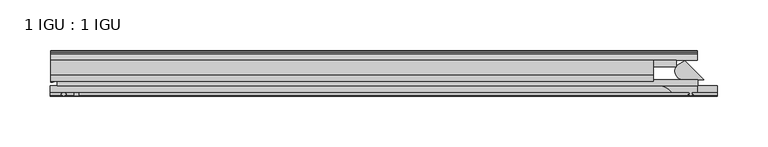
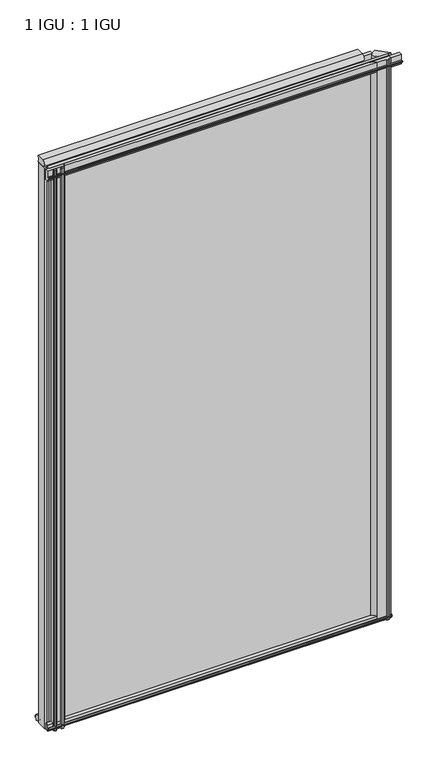
"""IFC4 building model written with IfcOpenShell, lengths in millimetres: plate geometry, 1 IGU : 1 IGU."""

from ifc_helpers import new_model, si_unit, point, frame, frame_2d, origin, place, context, project, spatial, polyline, circle_curve, ellipse_curve, trimmed, segment, composite_curve, outline, extrude, source, transform, mapped, element, save
from ifc_brep_helpers import plane_surface, cylinder_surface, revolved_surface, extruded_surface, advanced_brep


def plate_1_igu_1_igu_42cc395e(model_context):
    return source(origin(), model_context, "Body", "SolidModel", [
        extrude(outline(polyline([(-314.3261907, -38.6468937), (321.2715032, -38.6468937), (321.2715032, -44.9460938), (-314.3261907, -44.9460938), (-314.3261907, -38.6468937)])), frame((0.0, 0.0, -12.7), z_axis=(0.0, 0.0, 1.0), x_axis=(1.0, 0.0, 0.0)), (0.0, 0.0, 1.0), 1106.5764186),
        extrude(outline(polyline([(-314.3261907, -19.5460937), (299.939472, -19.5460937), (299.939472, -25.8960938), (-314.3261907, -25.8960938), (-314.3261907, -19.5460937)])), frame((0.0, 0.0, -12.7), z_axis=(0.0, 0.0, 1.0), x_axis=(1.0, 0.0, 0.0)), (0.0, 0.0, 1.0), 1106.5764186),
        extrude(outline(composite_curve([segment(polyline([(308.3479936, -19.9178967), (327.0769907, -38.6468938), (305.9733448, -38.6468938)]), True, "CONTINUOUS"), segment(trimmed(circle_curve(frame_2d((306.7635261, -30.324123)), 8.3601973), [point((305.9733448, -38.6468938))], [point((300.5961133, -24.6800183))], False, "CARTESIAN"), True, "CONTINUOUS"), segment(polyline([(300.5961133, -24.6800183), (308.3479936, -19.9178967)]), True, "CONTINUOUS")], self_intersect=False)), frame((0.0, 0.0, -12.4587), z_axis=(0.0, 0.0, 1.0), x_axis=(1.0, 0.0, 0.0)), (0.0, 0.0, 1.0), 1106.3351186),
        advanced_brep(
        [(-320.6761907, -21.1706006, -12.7), (-314.3275788, -19.5461438, -12.7), (-314.3275788, -25.8549351, -12.7), (-313.1522276, -32.21431, -12.7), (-320.6761907, -41.5384043, -12.7), (-320.6761907, -21.1706006, 1093.8764186), (-320.6761907, -41.5384043, 1093.8764186), (-313.1522276, -32.21431, 1093.8764186), (-314.3275788, -25.8549351, 1093.8764186), (-314.3275788, -19.5461438, 1093.8764186)],
        [
            (0, 1, circle_curve(frame((-320.6767601, -7.9505008, -12.7), z_axis=(0.0, 0.0, 1.0), x_axis=(1.0, 0.0, 0.0)), 13.2200998)),
            (1, 2),
            (2, 3, circle_curve(frame((-331.2145919, -32.2643264, -12.7), z_axis=(0.0, 0.0, -1.0), x_axis=(1.0, 0.0, 0.0)), 18.0624336)),
            (3, 4, ellipse_curve(frame((-320.6753578, -32.2460921, -12.7), z_axis=(0.0, 0.0, -1.0), x_axis=(0.0, -1.0, 0.0)), 9.2923123, 7.5231742)),
            (4, 0),
            (5, 6),
            (6, 7, ellipse_curve(frame((-320.6753578, -32.2460921, 1093.8764186), z_axis=(0.0, 0.0, 1.0), x_axis=(0.0, -1.0, 0.0)), 9.2923123, 7.5231742)),
            (7, 8, circle_curve(frame((-331.2145919, -32.2643264, 1093.8764186), z_axis=(0.0, 0.0, 1.0), x_axis=(1.0, 0.0, 0.0)), 18.0624336)),
            (8, 9),
            (9, 5, circle_curve(frame((-320.6767601, -7.9505008, 1093.8764186), z_axis=(0.0, 0.0, -1.0), x_axis=(1.0, 0.0, 0.0)), 13.2200998)),
            (0, 5),
            (9, 1),
            (8, 2),
            (7, 3),
            (6, 4),
        ],
        [
            plane_surface(frame((-320.6761907, -13.1960937, -12.7), z_axis=(0.0, 0.0, -1.0), x_axis=(0.0, 1.0, 0.0))),
            plane_surface(frame((-320.6761907, -13.1960937, 1093.8764186), z_axis=(0.0, 0.0, 1.0), x_axis=(0.0, 1.0, 0.0))),
            revolved_surface(polyline([(-307.4566603, -7.9505008, 1093.8764186), (-307.4566603, -7.9505008, -12.7)]), (-320.6767601, -7.9505008, -12.7), (0.0, 0.0, 1.0)),
            plane_surface(frame((-314.3275788, -19.5461438, -12.7), z_axis=(1.0, 0.0, 0.0), x_axis=(0.0, 0.0, 1.0))),
            cylinder_surface(frame((-331.2145919, -32.2643264, -12.7), z_axis=(0.0, 0.0, -1.0), x_axis=(1.0, 0.0, 0.0)), 18.0624336),
            extruded_surface(trimmed(ellipse_curve(frame((-320.6753578, -32.2460921, 1093.8764186), z_axis=(0.0, 0.0, -1.0), x_axis=(0.0, -1.0, 0.0)), 9.2923123, 7.5231742), [point((-313.1522276, -32.21431, 1093.8764186))], [point((-320.6761907, -41.5384043, 1093.8764186))], True, "CARTESIAN"), (0.0, 0.0, -1106.5764186000001), 1106.5764186000001),
            plane_surface(frame((-320.6761907, -41.5384043, -12.7), z_axis=(-1.0, 0.0, 0.0), x_axis=(0.0, 0.0, 1.0))),
        ],
        [
            (0, [[1, 2, 3, 4, 5]]),
            (1, [[6, 7, 8, 9, 10]]),
            (2, [[-1, 11, -10, 12]]),
            (3, [[-2, -12, -9, 13]]),
            (4, [[-3, -13, -8, 14]]),
            (5, [[-4, -14, -7, 15]]),
            (6, [[-5, -15, -6, -11]]),
        ],
    ),
        extrude(outline(composite_curve([segment(polyline([(320.3668505, -44.9460938), (320.3668505, -51.2960938), (315.2868505, -51.2960938), (314.9693505, -53.4006957), (316.1879564, -53.0741712), (316.3917505, -53.8347412), (314.0168505, -54.4710938), (311.6419505, -53.8347412), (311.8457446, -53.0741712), (313.0643505, -53.4006957), (312.7468505, -51.2960938), (295.3478505, -51.2960938)]), True, "CONTINUOUS"), segment(trimmed(circle_curve(frame_2d((281.8178467, -61.7346627)), 17.0887309), [point((295.3478505, -51.2960938))], [point((285.0066828, -44.9460938))], True, "CARTESIAN"), True, "CONTINUOUS"), segment(polyline([(285.0066828, -44.9460938), (320.3668505, -44.9460938)]), True, "CONTINUOUS")], self_intersect=False)), frame((0.0, 0.0, -11.938), z_axis=(0.0, 0.0, 1.0), x_axis=(1.0, 0.0, 0.0)), (0.0, 0.0, 1.0), 1105.5731187),
        extrude(outline(polyline([(-44.9460937, 1.7177181), (-44.9460937, -9.1036578), (-48.3496937, -11.938), (-51.2960937, -11.938), (-51.2960937, -7.493), (-53.6762907, -7.112), (-53.2163575, -8.5275291), (-54.0175717, -8.5275291), (-54.7250937, -6.35), (-54.0175717, -4.1724709), (-53.2163575, -4.1724709), (-53.6762907, -5.588), (-51.2960937, -5.207), (-51.2960937, 0.0), (-44.9460937, 1.7177181)])), frame((-320.6761907, 0.0, 0.0), z_axis=(1.0, 0.0, 0.0), x_axis=(0.0, 1.0, 0.0)), (0.0, 0.0, 1.0), 641.3523814),
        extrude(outline(polyline([(-13.1960937, -12.4587), (-16.1424937, -12.4587), (-19.5460937, -9.6243578), (-19.5460937, 1.1970181), (-13.1960937, -0.5207), (-13.1960937, -5.7277), (-10.8158968, -6.1087), (-11.27583, -4.6931709), (-10.4746158, -4.6931709), (-9.7670937, -6.8707), (-10.4746158, -9.0482291), (-11.27583, -9.0482291), (-10.8158968, -7.6327), (-13.1960937, -8.0137), (-13.1960937, -12.4587)])), frame((-320.6761907, 0.0, 0.0), z_axis=(1.0, 0.0, 0.0), x_axis=(0.0, 1.0, 0.0)), (0.0, 0.0, 1.0), 641.3523814),
        extrude(outline(composite_curve([segment(polyline([(-44.9380025, 1074.7385163), (-51.2960937, 1074.7385163), (-51.2960937, 1079.5645163), (-54.1955564, 1079.5645163), (-54.8194621, 1080.5418087)]), True, "CONTINUOUS"), segment(trimmed(circle_curve(frame_2d((-53.9630937, 1081.0885163)), 1.016), [point((-54.8194621, 1080.5418087))], [point((-54.8194621, 1081.6352239))], False, "CARTESIAN"), True, "CONTINUOUS"), segment(polyline([(-54.8194621, 1081.6352239), (-54.1955564, 1082.6125163), (-51.2878033, 1082.6125163), (-51.2916866, 1093.7771998), (-44.9380025, 1093.7771998), (-44.9380025, 1074.7385163)]), True, "CONTINUOUS")], self_intersect=False)), frame((-321.1184846, 0.0, 0.0), z_axis=(1.0, 0.0, 0.0), x_axis=(0.0, 1.0, 0.0)), (0.0, 0.0, 1.0), 661.340769),
        extrude(outline(composite_curve([segment(trimmed(circle_curve(frame_2d((-279.9102594, -51.9750196)), 9.0414579), [point((-285.5972763, -44.9460938))], [point((-288.9261909, -51.2960938))], True, "CARTESIAN"), True, "CONTINUOUS"), segment(polyline([(-288.9261909, -51.2960938), (-293.1679909, -51.2960938)]), True, "CONTINUOUS"), segment(trimmed(circle_curve(frame_2d((-293.1679909, -51.7532938)), 0.4572), [point((-293.1679909, -51.2960938))], [point((-293.5068087, -52.0602698))], True, "CARTESIAN"), True, "CONTINUOUS"), segment(trimmed(circle_curve(frame_2d((-295.2761909, -53.663367)), 2.3876), [point((-293.5068087, -52.0602698))], [point((-293.2055479, -54.8520938))], False, "CARTESIAN"), True, "CONTINUOUS"), segment(polyline([(-293.2055479, -54.8520938), (-297.3468339, -54.8520938)]), True, "CONTINUOUS"), segment(trimmed(circle_curve(frame_2d((-295.2761909, -53.663367)), 2.3876), [point((-297.3468339, -54.8520938))], [point((-297.045573, -52.0602698))], False, "CARTESIAN"), True, "CONTINUOUS"), segment(trimmed(circle_curve(frame_2d((-297.3843909, -51.7532938)), 0.4572), [point((-297.045573, -52.0602698))], [point((-297.3843909, -51.2960938))], True, "CARTESIAN"), True, "CONTINUOUS"), segment(polyline([(-297.3843909, -51.2960938), (-306.4521909, -51.2960938), (-306.4521909, -52.9470938), (-305.3745601, -52.9470938)]), True, "CONTINUOUS"), segment(trimmed(circle_curve(frame_2d((-306.4521909, -52.9470938)), 1.0776307), [point((-305.3745601, -52.9470938))], [point((-305.6901909, -53.7090938))], False, "CARTESIAN"), True, "CONTINUOUS"), segment(polyline([(-305.6901909, -53.7090938), (-307.4294833, -54.8194621)]), True, "CONTINUOUS"), segment(trimmed(circle_curve(frame_2d((-307.9761909, -53.9630938)), 1.016), [point((-307.4294833, -54.8194621))], [point((-308.5228985, -54.8194621))], False, "CARTESIAN"), True, "CONTINUOUS"), segment(polyline([(-308.5228985, -54.8194621), (-310.2621909, -53.7090938)]), True, "CONTINUOUS"), segment(trimmed(circle_curve(frame_2d((-309.5001909, -52.9470938)), 1.0776307), [point((-310.2621909, -53.7090938))], [point((-310.5778216, -52.9470938))], False, "CARTESIAN"), True, "CONTINUOUS"), segment(polyline([(-310.5778216, -52.9470938), (-309.5001909, -52.9470938), (-309.5001909, -51.2960938), (-311.1511909, -51.2960938), (-311.1511909, -44.9460938), (-285.5972763, -44.9460938)]), True, "CONTINUOUS")], self_intersect=False)), frame((0.0, 0.0, -12.7), z_axis=(0.0, 0.0, 1.0), x_axis=(1.0, 0.0, 0.0)), (0.0, 0.0, 1.0), 1106.5764187),
        extrude(outline(composite_curve([segment(trimmed(circle_curve(frame_2d((-9.2245666, 1100.1899978)), 12.1106873), [point((-19.5460937, 1106.525203))], [point((-19.5460937, 1093.8547926))], True, "CARTESIAN"), True, "CONTINUOUS"), segment(polyline([(-19.5460937, 1093.8547926), (-33.8757421, 1093.8547926)]), True, "CONTINUOUS"), segment(trimmed(circle_curve(frame_2d((-33.8757421, 1100.1899978)), 6.3352052), [point((-33.8757421, 1093.8547926))], [point((-33.8757421, 1106.525203))], False, "CARTESIAN"), True, "CONTINUOUS"), segment(polyline([(-33.8757421, 1106.525203), (-19.5460937, 1106.525203)]), True, "CONTINUOUS")], self_intersect=False)), frame((-320.6761907, 0.0, 0.0), z_axis=(1.0, 0.0, 0.0), x_axis=(0.0, 1.0, 0.0)), (0.0, 0.0, 1.0), 597.3984752),
    ])


if __name__ == "__main__":
    model = new_model("IFC4")
    model_context = context("Model", 3, world=origin())
    ifc_project = project(units=[si_unit("LENGTHUNIT", "METRE", prefix="MILLI")], contexts=[model_context])
    site = spatial("IfcSite", under=ifc_project)
    building = spatial("IfcBuilding", under=site)
    placement = place(None, origin())
    plate_1_igu_1_igu_shape = plate_1_igu_1_igu_42cc395e(model_context)
    element("IfcPlate", 1, ObjectType="1 IGU : 1 IGU", at=placement, inside=building, context=model_context, shape_type="MappedRepresentation", body=[
        mapped(plate_1_igu_1_igu_shape, transform((0.0, 0.0, 0.0), x_axis=(1.0, 0.0, 0.0), y_axis=(0.0, 1.0, 0.0), z_axis=(0.0, 0.0, 1.0))),
    ])
    save(model, "model.ifc")
